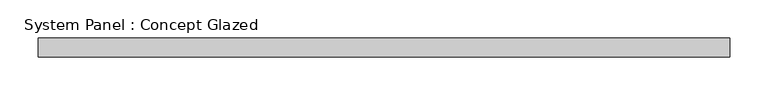
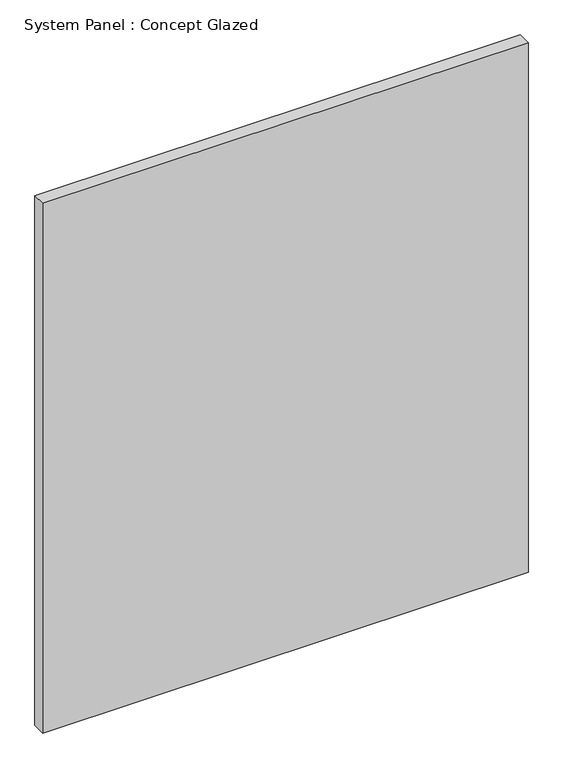
"""IFC4 building model written with IfcOpenShell, lengths in millimetres: plate geometry, System Panel : Concept Glazed."""

from ifc_helpers import new_model, si_unit, origin, origin_with_axes, place, context, project, spatial, polyline, outline, extrude, source, transform, mapped, element, save


def system_panel_concept_glazed_75b1a275(model_context):
    return source(origin(), model_context, "Body", "SweptSolid", [
        extrude(outline(polyline([(455.0, 0.0), (-455.0, 0.0), (-455.0, 25.0), (455.0, 25.0), (455.0, 0.0)])), origin_with_axes(), (0.0, 0.0, 1.0), 1050.0),
    ])


if __name__ == "__main__":
    model = new_model("IFC4")
    model_context = context("Model", 3, world=origin())
    ifc_project = project(units=[si_unit("LENGTHUNIT", "METRE", prefix="MILLI")], contexts=[model_context])
    site = spatial("IfcSite", under=ifc_project)
    building = spatial("IfcBuilding", under=site)
    placement = place(None, origin())
    system_panel_concept_glazed_shape = system_panel_concept_glazed_75b1a275(model_context)
    element("IfcPlate", 1, ObjectType="System Panel : Concept Glazed", at=placement, inside=building, context=model_context, shape_type="MappedRepresentation", body=[
        mapped(system_panel_concept_glazed_shape, transform((0.0, 0.0, 0.0), x_axis=(1.0, 0.0, 0.0), y_axis=(0.0, 1.0, 0.0), z_axis=(0.0, 0.0, 1.0))),
    ])
    save(model, "model.ifc")
